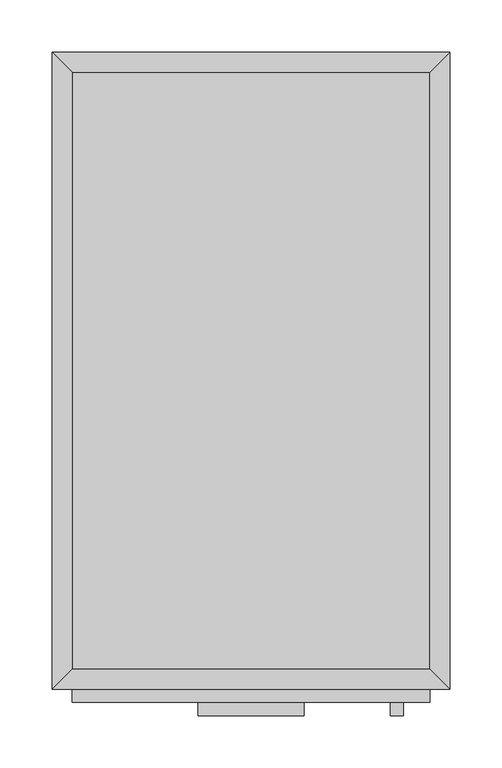
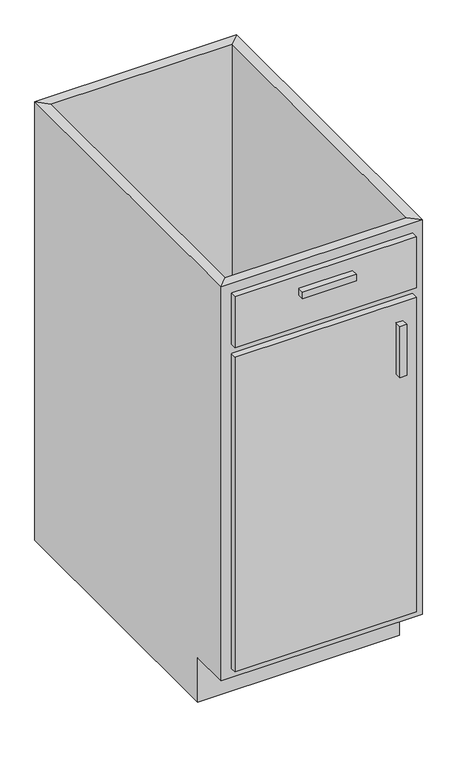
"""IFC4 building model written with IfcOpenShell, lengths in millimetres: furniture geometry."""

import ifcopenshell
import ifcopenshell.guid

model = None  # the IFC model being written
_history = None  # IfcOwnerHistory: only IFC2X3 demands one
_inside = {}  # id of a spatial element -> (the spatial element, [elements in it])
_under = {}  # id of a project, library or spatial element -> (it, [spatial elements below it])
_declared = {}  # id of a project -> (the project, [libraries it declares])
_typed = {}  # id of a type object -> (the type object, [elements of that type])
_made_of = {}  # id of a material, layer set ... -> (it, [elements and type objects made of it])


def new_model(schema):
    """Start an empty IFC model of exactly this schema.

    Asked for "IFC4X3", IfcOpenShell would pick the latest addendum, in which some entities
    have other attributes; the version numbers below select the first issue.
    IFC2X3 requires an IfcOwnerHistory on every rooted entity: one is made here for all.
    """
    global model, _history
    if schema == "IFC4X3":
        model = ifcopenshell.file(schema_version=(4, 3, 0, 0))
    else:
        model = ifcopenshell.file(schema=schema)
    _inside.clear()
    _under.clear()
    _declared.clear()
    _typed.clear()
    _made_of.clear()
    _history = None
    if model.schema == "IFC2X3":
        org = make("IfcOrganization", Name="unknown")
        user = make(
            "IfcPersonAndOrganization",
            ThePerson=make("IfcPerson", FamilyName="unknown"),
            TheOrganization=org,
        )
        app = make(
            "IfcApplication",
            ApplicationDeveloper=org,
            Version="unknown",
            ApplicationFullName="unknown",
            ApplicationIdentifier="unknown",
        )
        _history = make(
            "IfcOwnerHistory",
            OwningUser=user,
            OwningApplication=app,
            ChangeAction="ADDED",
            CreationDate=0,
        )
    return model


def make(cls, **values):
    """One entity of the class cls with the attributes given. An attribute that is None is left unset."""
    return model.create_entity(
        cls, **{name: value for name, value in values.items() if value is not None}
    )


def rooted(cls, **values):
    """An entity with a GlobalId (a new one), such as an element, a storey or a relation."""
    return make(cls, GlobalId=ifcopenshell.guid.new(), OwnerHistory=_history, **values)


def si_unit(unit_type, name, prefix=None):
    """IfcSIUnit, for example si_unit("LENGTHUNIT", "METRE", prefix="MILLI")."""
    return make("IfcSIUnit", UnitType=unit_type, Prefix=prefix, Name=name)


def assignment(units):
    """IfcUnitAssignment: the units of a project."""
    return None if units is None else make("IfcUnitAssignment", Units=units)


def point(xyz):
    """IfcCartesianPoint."""
    return None if xyz is None else make("IfcCartesianPoint", Coordinates=xyz)


def direction(xyz):
    """IfcDirection."""
    return None if xyz is None else make("IfcDirection", DirectionRatios=xyz)


def frame(location, z_axis=None, x_axis=None):
    """IfcAxis2Placement3D, a coordinate frame: its origin and axes. An axis left out is left unset."""
    return make(
        "IfcAxis2Placement3D",
        Location=point(location),
        Axis=direction(z_axis),
        RefDirection=direction(x_axis),
    )


def origin():
    """The frame at (0, 0, 0) with its axes left unset."""
    return frame((0.0, 0.0, 0.0))


def place(relative_to, where):
    """IfcLocalPlacement: puts the frame where relative to a parent placement (None: the world)."""
    return make(
        "IfcLocalPlacement", PlacementRelTo=relative_to, RelativePlacement=where
    )


def context(
    kind, dimensions, precision=None, world=None, true_north=None, identifier=None
):
    """IfcGeometricRepresentationContext, for example the 3D "Model" context."""
    return make(
        "IfcGeometricRepresentationContext",
        ContextIdentifier=identifier,
        ContextType=kind,
        CoordinateSpaceDimension=dimensions,
        Precision=precision,
        WorldCoordinateSystem=world,
        TrueNorth=true_north,
    )


def project(units=None, contexts=None):
    """IfcProject with its units and contexts."""
    return rooted(
        "IfcProject",
        Name="project",
        RepresentationContexts=contexts,
        UnitsInContext=assignment(units),
    )


def spatial(cls, under=None, at=None, **own):
    """A site, building, storey or space (cls), placed at a placement, below another one or the project."""
    s = rooted(cls, ObjectPlacement=at, **own)
    if under is not None:
        _under.setdefault(under.id(), (under, []))[1].append(s)
    return s


def polyline(points):
    """IfcPolyline through the points."""
    return make("IfcPolyline", Points=[point(p) for p in points])


def outline(outer, holes=None, kind="AREA"):
    """IfcArbitraryClosedProfileDef: a profile drawn as a closed curve; with holes, ...WithVoids."""
    if holes is None:
        return make("IfcArbitraryClosedProfileDef", ProfileType=kind, OuterCurve=outer)
    return make(
        "IfcArbitraryProfileDefWithVoids",
        ProfileType=kind,
        OuterCurve=outer,
        InnerCurves=holes,
    )


def extrude(swept, where, along, depth):
    """IfcExtrudedAreaSolid: the profile swept, set in the frame where, extruded along a direction by depth."""
    return make(
        "IfcExtrudedAreaSolid",
        SweptArea=swept,
        Position=where,
        ExtrudedDirection=direction(along),
        Depth=depth,
    )


def faces_of(points, faces, orient=None, outer=None):
    """IfcFace entities. A face is a list of loops; a loop is a list of indices into points, from 0.

    orient and outer hold one flag for each loop. By default every Orientation is true, the
    first loop of a face is its IfcFaceOuterBound and the others are IfcFaceBound.
    """
    made = []
    for i, loops in enumerate(faces):
        bounds = []
        for j, loop in enumerate(loops):
            is_outer = j == 0 if outer is None else outer[i][j]
            bounds.append(
                make(
                    "IfcFaceOuterBound" if is_outer else "IfcFaceBound",
                    Bound=make("IfcPolyLoop", Polygon=[points[k] for k in loop]),
                    Orientation=True if orient is None else orient[i][j],
                )
            )
        made.append(make("IfcFace", Bounds=bounds))
    return made


def faceted_brep(points, faces, orient=None, outer=None, voids=None):
    """IfcFacetedBrep: a solid bounded by flat faces; with voids (closed shells), ...WithVoids."""
    shared = [point(p) for p in points]
    hull = make("IfcClosedShell", CfsFaces=faces_of(shared, faces, orient, outer))
    if voids is None:
        return make("IfcFacetedBrep", Outer=hull)
    return make(
        "IfcFacetedBrepWithVoids",
        Outer=hull,
        Voids=[
            make(cls, CfsFaces=faces_of(shared, fs, o, b)) for cls, fs, o, b in voids
        ],
    )


def shape(context_of_items, identifier, shape_type, items):
    """IfcShapeRepresentation: the items that make up one representation, for example the "Body"."""
    return make(
        "IfcShapeRepresentation",
        ContextOfItems=context_of_items,
        RepresentationIdentifier=identifier,
        RepresentationType=shape_type,
        Items=items,
    )


def source(mapping_origin, context_of_items, identifier, shape_type, items):
    """IfcRepresentationMap: a shape defined once, which mapped items show again and again."""
    return make(
        "IfcRepresentationMap",
        MappingOrigin=mapping_origin,
        MappedRepresentation=shape(context_of_items, identifier, shape_type, items),
    )


def transform(
    local_origin,
    x_axis=None,
    y_axis=None,
    z_axis=None,
    scale=None,
    scale2=None,
    scale3=None,
    uniform=True,
):
    """IfcCartesianTransformationOperator3D, or its non-uniform kind. x_axis, y_axis, z_axis: its Axis1, 2, 3."""
    if uniform:
        return make(
            "IfcCartesianTransformationOperator3D",
            Axis1=direction(x_axis),
            Axis2=direction(y_axis),
            LocalOrigin=point(local_origin),
            Scale=scale,
            Axis3=direction(z_axis),
        )
    return make(
        "IfcCartesianTransformationOperator3DnonUniform",
        Axis1=direction(x_axis),
        Axis2=direction(y_axis),
        LocalOrigin=point(local_origin),
        Scale=scale,
        Axis3=direction(z_axis),
        Scale2=scale2,
        Scale3=scale3,
    )


def mapped(mapping_source, mapping_target):
    """IfcMappedItem: shows the shape of a source again, moved by a transform."""
    return make(
        "IfcMappedItem", MappingSource=mapping_source, MappingTarget=mapping_target
    )


def made_of(thing, what):
    """Note that an element or type object is made of a material, layer set ...; save() writes the relation."""
    if what is not None:
        _made_of.setdefault(what.id(), (what, []))[1].append(thing)
    return thing


def element(
    cls,
    number,
    at=None,
    inside=None,
    cuts=None,
    type_object=None,
    material=None,
    context=None,
    identifier="Body",
    shape_type=None,
    held_by="IfcProductDefinitionShape",
    body=None,
    shapes=None,
    **own,
):
    """One element of the class cls, such as IfcWall. Its Tag is "e" and its number.

    at: its placement. inside: the storey or other place that contains it. cuts: it is an
    opening in that element (IfcRelVoidsElement). A single representation is given by context,
    identifier, shape_type and body (its items); several are given by shapes. held_by: the class
    of the entity that holds the representations. save() writes the other relations.
    """
    e = rooted(cls, Tag="e%d" % number, ObjectPlacement=at, **own)
    if body is not None:
        shapes = [shape(context, identifier, shape_type, body)]
    if shapes is not None:
        e.Representation = make(held_by, Representations=shapes)
    if inside is not None:
        _inside.setdefault(inside.id(), (inside, []))[1].append(e)
    if cuts is not None:
        rooted(
            "IfcRelVoidsElement", RelatingBuildingElement=cuts, RelatedOpeningElement=e
        )
    if type_object is not None:
        _typed.setdefault(type_object.id(), (type_object, []))[1].append(e)
    return made_of(e, material)


def aggregate(whole, parts):
    """IfcRelAggregates: a whole, such as a stair, and the parts it consists of."""
    return rooted("IfcRelAggregates", RelatingObject=whole, RelatedObjects=parts)


def save(model, path):
    """Write the relations noted so far, then the file.

    IfcRelAggregates (storeys below a building ...), IfcRelContainedInSpatialStructure (elements
    in a storey), IfcRelDefinesByType, IfcRelAssociatesMaterial and IfcRelDeclares: one each for
    every whole, place, type object, material and project.
    """
    for whole, parts in _under.values():
        aggregate(whole, parts)
    for where, things in _inside.values():
        rooted(
            "IfcRelContainedInSpatialStructure",
            RelatedElements=things,
            RelatingStructure=where,
        )
    for kind, things in _typed.values():
        rooted("IfcRelDefinesByType", RelatedObjects=things, RelatingType=kind)
    for what, things in _made_of.values():
        rooted("IfcRelAssociatesMaterial", RelatedObjects=things, RelatingMaterial=what)
    for by, libraries in _declared.values():
        rooted("IfcRelDeclares", RelatingContext=by, RelatedDefinitions=libraries)
    model.write(path)


def furniture_0fc2bd2a(model_context):
    return source(origin(), model_context, "Body", "SolidModel", [
        faceted_brep([(190.1877049, -590.55, 876.3), (190.1877049, -590.55, 88.9), (-152.7122951, -590.55, 88.9), (-152.7122951, -590.55, 876.3), (-171.7622951, -609.6, 876.3), (209.2377049, -609.6, 876.3), (-171.7622951, -609.6, 88.9), (209.2377049, -609.6, 88.9), (-152.7122951, -533.4, 88.9), (-152.7122951, -19.05, 88.9), (-152.7122951, -19.05, 876.3), (-171.7622951, 0.0, 876.3), (-171.7622951, 0.0, 0.0), (-171.7622951, -533.4, 0.0), (-171.7622951, -533.4, 88.9), (190.1877049, -19.05, 88.9), (190.1877049, -19.05, 876.3), (209.2377049, 0.0, 876.3), (209.2377049, 0.0, 0.0), (190.1877049, -533.4, 88.9), (209.2377049, -533.4, 88.9), (209.2377049, -533.4, 0.0)], [[[0, 1, 2, 3]], [[0, 3, 4, 5]], [[5, 4, 6, 7]], [[2, 1, 7, 6]], [[3, 2, 8, 9, 10]], [[4, 3, 10, 11]], [[6, 4, 11, 12, 13, 14]], [[2, 6, 14, 8]], [[10, 9, 15, 16]], [[11, 10, 16, 17]], [[12, 11, 17, 18]], [[1, 0, 16, 15, 19]], [[0, 5, 17, 16]], [[5, 7, 20, 21, 18, 17]], [[7, 1, 19, 20]], [[8, 19, 15, 9]], [[18, 21, 13, 12]], [[13, 21, 20, 19, 8, 14]]]),
        extrude(outline(polyline([(164.7877049, -635.0), (152.0877049, -635.0), (152.0877049, -622.3), (164.7877049, -622.3), (164.7877049, -635.0)])), frame((0.0, 0.0, 596.9), z_axis=(0.0, 0.0, 1.0), x_axis=(1.0, 0.0, 0.0)), (0.0, 0.0, 1.0), 101.6),
        extrude(outline(polyline([(69.5377049, -635.0), (-32.0622951, -635.0), (-32.0622951, -622.3), (69.5377049, -622.3), (69.5377049, -635.0)])), frame((0.0, 0.0, 819.15), z_axis=(0.0, 0.0, 1.0), x_axis=(1.0, 0.0, 0.0)), (0.0, 0.0, 1.0), 12.7),
        extrude(outline(polyline([(190.1877049, -622.3), (-152.7122951, -622.3), (-152.7122951, -609.6), (190.1877049, -609.6), (190.1877049, -622.3)])), frame((0.0, 0.0, 107.95), z_axis=(0.0, 0.0, 1.0), x_axis=(1.0, 0.0, 0.0)), (0.0, 0.0, 1.0), 628.65),
        extrude(outline(polyline([(190.1877049, -622.3), (-152.7122951, -622.3), (-152.7122951, -609.6), (190.1877049, -609.6), (190.1877049, -622.3)])), frame((0.0, 0.0, 755.65), z_axis=(0.0, 0.0, 1.0), x_axis=(1.0, 0.0, 0.0)), (0.0, 0.0, 1.0), 101.6),
        extrude(outline(polyline([(190.1877049, -19.05), (190.1877049, -590.55), (-152.7122951, -590.55), (-152.7122951, -19.05), (190.1877049, -19.05)])), frame((0.0, 0.0, 88.9), z_axis=(0.0, 0.0, 1.0), x_axis=(1.0, 0.0, 0.0)), (0.0, 0.0, 1.0), 19.05),
    ])


if __name__ == "__main__":
    model = new_model("IFC4")
    model_context = context("Model", 3, world=origin())
    ifc_project = project(units=[si_unit("LENGTHUNIT", "METRE", prefix="MILLI")], contexts=[model_context])
    site = spatial("IfcSite", under=ifc_project)
    building = spatial("IfcBuilding", under=site)
    placement = place(None, origin())
    furniture_shape = furniture_0fc2bd2a(model_context)
    element("IfcFurniture", 1, at=placement, inside=building, context=model_context, shape_type="MappedRepresentation", body=[
        mapped(furniture_shape, transform((0.0, 0.0, 0.0), x_axis=(1.0, 0.0, 0.0), y_axis=(0.0, 1.0, 0.0), z_axis=(0.0, 0.0, 1.0))),
    ])
    save(model, "model.ifc")
